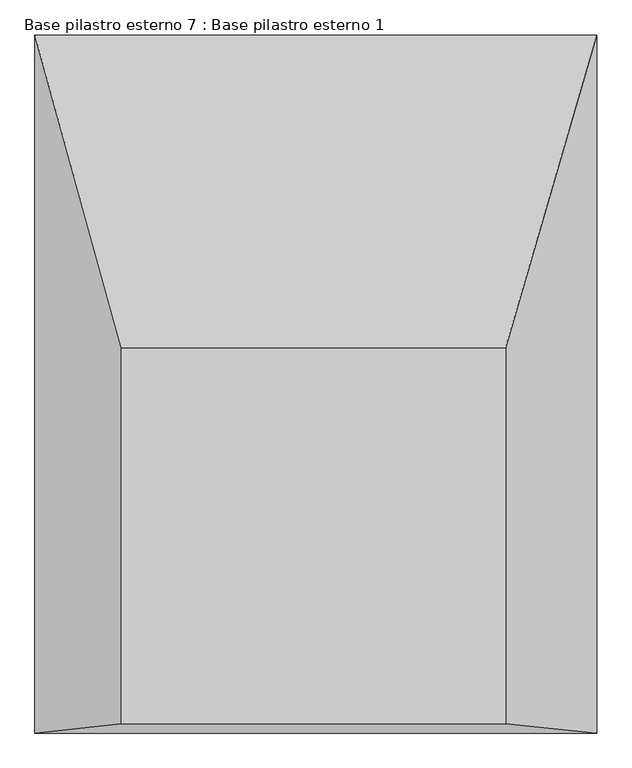
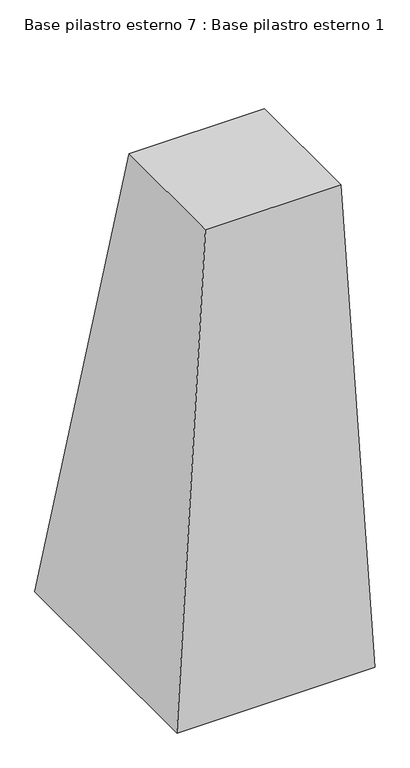
"""IFC4 building model written with IfcOpenShell, lengths in millimetres: column geometry, Base pilastro esterno 7 : Base pilastro esterno 1."""

import ifcopenshell
import ifcopenshell.guid

model = None  # the IFC model being written
_history = None  # IfcOwnerHistory: only IFC2X3 demands one
_inside = {}  # id of a spatial element -> (the spatial element, [elements in it])
_under = {}  # id of a project, library or spatial element -> (it, [spatial elements below it])
_declared = {}  # id of a project -> (the project, [libraries it declares])
_typed = {}  # id of a type object -> (the type object, [elements of that type])
_made_of = {}  # id of a material, layer set ... -> (it, [elements and type objects made of it])


def new_model(schema):
    """Start an empty IFC model of exactly this schema.

    Asked for "IFC4X3", IfcOpenShell would pick the latest addendum, in which some entities
    have other attributes; the version numbers below select the first issue.
    IFC2X3 requires an IfcOwnerHistory on every rooted entity: one is made here for all.
    """
    global model, _history
    if schema == "IFC4X3":
        model = ifcopenshell.file(schema_version=(4, 3, 0, 0))
    else:
        model = ifcopenshell.file(schema=schema)
    _inside.clear()
    _under.clear()
    _declared.clear()
    _typed.clear()
    _made_of.clear()
    _history = None
    if model.schema == "IFC2X3":
        org = make("IfcOrganization", Name="unknown")
        user = make(
            "IfcPersonAndOrganization",
            ThePerson=make("IfcPerson", FamilyName="unknown"),
            TheOrganization=org,
        )
        app = make(
            "IfcApplication",
            ApplicationDeveloper=org,
            Version="unknown",
            ApplicationFullName="unknown",
            ApplicationIdentifier="unknown",
        )
        _history = make(
            "IfcOwnerHistory",
            OwningUser=user,
            OwningApplication=app,
            ChangeAction="ADDED",
            CreationDate=0,
        )
    return model


def make(cls, **values):
    """One entity of the class cls with the attributes given. An attribute that is None is left unset."""
    return model.create_entity(
        cls, **{name: value for name, value in values.items() if value is not None}
    )


def rooted(cls, **values):
    """An entity with a GlobalId (a new one), such as an element, a storey or a relation."""
    return make(cls, GlobalId=ifcopenshell.guid.new(), OwnerHistory=_history, **values)


def si_unit(unit_type, name, prefix=None):
    """IfcSIUnit, for example si_unit("LENGTHUNIT", "METRE", prefix="MILLI")."""
    return make("IfcSIUnit", UnitType=unit_type, Prefix=prefix, Name=name)


def assignment(units):
    """IfcUnitAssignment: the units of a project."""
    return None if units is None else make("IfcUnitAssignment", Units=units)


def point(xyz):
    """IfcCartesianPoint."""
    return None if xyz is None else make("IfcCartesianPoint", Coordinates=xyz)


def direction(xyz):
    """IfcDirection."""
    return None if xyz is None else make("IfcDirection", DirectionRatios=xyz)


def frame(location, z_axis=None, x_axis=None):
    """IfcAxis2Placement3D, a coordinate frame: its origin and axes. An axis left out is left unset."""
    return make(
        "IfcAxis2Placement3D",
        Location=point(location),
        Axis=direction(z_axis),
        RefDirection=direction(x_axis),
    )


def origin():
    """The frame at (0, 0, 0) with its axes left unset."""
    return frame((0.0, 0.0, 0.0))


def place(relative_to, where):
    """IfcLocalPlacement: puts the frame where relative to a parent placement (None: the world)."""
    return make(
        "IfcLocalPlacement", PlacementRelTo=relative_to, RelativePlacement=where
    )


def context(
    kind, dimensions, precision=None, world=None, true_north=None, identifier=None
):
    """IfcGeometricRepresentationContext, for example the 3D "Model" context."""
    return make(
        "IfcGeometricRepresentationContext",
        ContextIdentifier=identifier,
        ContextType=kind,
        CoordinateSpaceDimension=dimensions,
        Precision=precision,
        WorldCoordinateSystem=world,
        TrueNorth=true_north,
    )


def project(units=None, contexts=None):
    """IfcProject with its units and contexts."""
    return rooted(
        "IfcProject",
        Name="project",
        RepresentationContexts=contexts,
        UnitsInContext=assignment(units),
    )


def spatial(cls, under=None, at=None, **own):
    """A site, building, storey or space (cls), placed at a placement, below another one or the project."""
    s = rooted(cls, ObjectPlacement=at, **own)
    if under is not None:
        _under.setdefault(under.id(), (under, []))[1].append(s)
    return s


def faces_of(points, faces, orient=None, outer=None):
    """IfcFace entities. A face is a list of loops; a loop is a list of indices into points, from 0.

    orient and outer hold one flag for each loop. By default every Orientation is true, the
    first loop of a face is its IfcFaceOuterBound and the others are IfcFaceBound.
    """
    made = []
    for i, loops in enumerate(faces):
        bounds = []
        for j, loop in enumerate(loops):
            is_outer = j == 0 if outer is None else outer[i][j]
            bounds.append(
                make(
                    "IfcFaceOuterBound" if is_outer else "IfcFaceBound",
                    Bound=make("IfcPolyLoop", Polygon=[points[k] for k in loop]),
                    Orientation=True if orient is None else orient[i][j],
                )
            )
        made.append(make("IfcFace", Bounds=bounds))
    return made


def faceted_brep(points, faces, orient=None, outer=None, voids=None):
    """IfcFacetedBrep: a solid bounded by flat faces; with voids (closed shells), ...WithVoids."""
    shared = [point(p) for p in points]
    hull = make("IfcClosedShell", CfsFaces=faces_of(shared, faces, orient, outer))
    if voids is None:
        return make("IfcFacetedBrep", Outer=hull)
    return make(
        "IfcFacetedBrepWithVoids",
        Outer=hull,
        Voids=[
            make(cls, CfsFaces=faces_of(shared, fs, o, b)) for cls, fs, o, b in voids
        ],
    )


def shape(context_of_items, identifier, shape_type, items):
    """IfcShapeRepresentation: the items that make up one representation, for example the "Body"."""
    return make(
        "IfcShapeRepresentation",
        ContextOfItems=context_of_items,
        RepresentationIdentifier=identifier,
        RepresentationType=shape_type,
        Items=items,
    )


def source(mapping_origin, context_of_items, identifier, shape_type, items):
    """IfcRepresentationMap: a shape defined once, which mapped items show again and again."""
    return make(
        "IfcRepresentationMap",
        MappingOrigin=mapping_origin,
        MappedRepresentation=shape(context_of_items, identifier, shape_type, items),
    )


def transform(
    local_origin,
    x_axis=None,
    y_axis=None,
    z_axis=None,
    scale=None,
    scale2=None,
    scale3=None,
    uniform=True,
):
    """IfcCartesianTransformationOperator3D, or its non-uniform kind. x_axis, y_axis, z_axis: its Axis1, 2, 3."""
    if uniform:
        return make(
            "IfcCartesianTransformationOperator3D",
            Axis1=direction(x_axis),
            Axis2=direction(y_axis),
            LocalOrigin=point(local_origin),
            Scale=scale,
            Axis3=direction(z_axis),
        )
    return make(
        "IfcCartesianTransformationOperator3DnonUniform",
        Axis1=direction(x_axis),
        Axis2=direction(y_axis),
        LocalOrigin=point(local_origin),
        Scale=scale,
        Axis3=direction(z_axis),
        Scale2=scale2,
        Scale3=scale3,
    )


def mapped(mapping_source, mapping_target):
    """IfcMappedItem: shows the shape of a source again, moved by a transform."""
    return make(
        "IfcMappedItem", MappingSource=mapping_source, MappingTarget=mapping_target
    )


def made_of(thing, what):
    """Note that an element or type object is made of a material, layer set ...; save() writes the relation."""
    if what is not None:
        _made_of.setdefault(what.id(), (what, []))[1].append(thing)
    return thing


def element(
    cls,
    number,
    at=None,
    inside=None,
    cuts=None,
    type_object=None,
    material=None,
    context=None,
    identifier="Body",
    shape_type=None,
    held_by="IfcProductDefinitionShape",
    body=None,
    shapes=None,
    **own,
):
    """One element of the class cls, such as IfcWall. Its Tag is "e" and its number.

    at: its placement. inside: the storey or other place that contains it. cuts: it is an
    opening in that element (IfcRelVoidsElement). A single representation is given by context,
    identifier, shape_type and body (its items); several are given by shapes. held_by: the class
    of the entity that holds the representations. save() writes the other relations.
    """
    e = rooted(cls, Tag="e%d" % number, ObjectPlacement=at, **own)
    if body is not None:
        shapes = [shape(context, identifier, shape_type, body)]
    if shapes is not None:
        e.Representation = make(held_by, Representations=shapes)
    if inside is not None:
        _inside.setdefault(inside.id(), (inside, []))[1].append(e)
    if cuts is not None:
        rooted(
            "IfcRelVoidsElement", RelatingBuildingElement=cuts, RelatedOpeningElement=e
        )
    if type_object is not None:
        _typed.setdefault(type_object.id(), (type_object, []))[1].append(e)
    return made_of(e, material)


def aggregate(whole, parts):
    """IfcRelAggregates: a whole, such as a stair, and the parts it consists of."""
    return rooted("IfcRelAggregates", RelatingObject=whole, RelatedObjects=parts)


def save(model, path):
    """Write the relations noted so far, then the file.

    IfcRelAggregates (storeys below a building ...), IfcRelContainedInSpatialStructure (elements
    in a storey), IfcRelDefinesByType, IfcRelAssociatesMaterial and IfcRelDeclares: one each for
    every whole, place, type object, material and project.
    """
    for whole, parts in _under.values():
        aggregate(whole, parts)
    for where, things in _inside.values():
        rooted(
            "IfcRelContainedInSpatialStructure",
            RelatedElements=things,
            RelatingStructure=where,
        )
    for kind, things in _typed.values():
        rooted("IfcRelDefinesByType", RelatedObjects=things, RelatingType=kind)
    for what, things in _made_of.values():
        rooted("IfcRelAssociatesMaterial", RelatedObjects=things, RelatingMaterial=what)
    for by, libraries in _declared.values():
        rooted("IfcRelDeclares", RelatingContext=by, RelatedDefinitions=libraries)
    model.write(path)


def base_pilastro_esterno_7_base_pilastro_esterno_1_87c303b7(model_context):
    return source(origin(), model_context, "Body", "Brep", [
        faceted_brep([(56830.9441638, 123725.338663, 86.2106577), (57433.9393695, 123725.338663, 86.2106577), (57433.9393695, 124315.5945334, 86.2106577), (56830.9441638, 124315.5945334, 86.2106577), (56695.0579202, 123710.8677666, -2226.4963086), (56695.0579202, 124806.47127, -2226.4963086), (57576.9065603, 124806.47127, -2226.4963086), (57576.9065603, 123710.8677666, -2226.4963086)], [[[0, 1, 2, 3]], [[4, 5, 6, 7]], [[4, 7, 1, 0]], [[7, 6, 2, 1]], [[6, 5, 3, 2]], [[5, 4, 0, 3]]]),
    ])


if __name__ == "__main__":
    model = new_model("IFC4")
    model_context = context("Model", 3, world=origin())
    ifc_project = project(units=[si_unit("LENGTHUNIT", "METRE", prefix="MILLI")], contexts=[model_context])
    site = spatial("IfcSite", under=ifc_project)
    building = spatial("IfcBuilding", under=site)
    placement = place(None, origin())
    base_pilastro_esterno_7_base_pilastro_esterno_1_shape = base_pilastro_esterno_7_base_pilastro_esterno_1_87c303b7(model_context)
    element("IfcColumn", 1, ObjectType="Base pilastro esterno 7 : Base pilastro esterno 1", at=placement, inside=building, context=model_context, shape_type="MappedRepresentation", body=[
        mapped(base_pilastro_esterno_7_base_pilastro_esterno_1_shape, transform((0.0, 0.0, 0.0), x_axis=(1.0, 0.0, 0.0), y_axis=(0.0, 1.0, 0.0), z_axis=(0.0, 0.0, 1.0))),
    ])
    save(model, "model.ifc")
